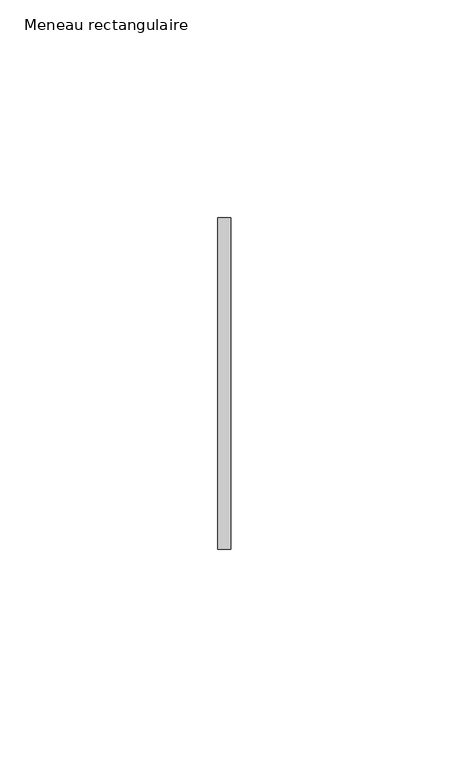
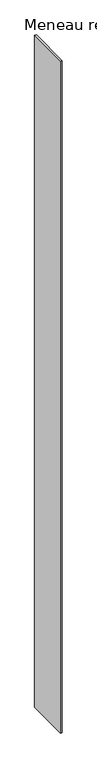
"""IFC4 building model written with IfcOpenShell, lengths in millimetres: member geometry, Meneau rectangulaire."""

from ifc_helpers import new_model, si_unit, frame, origin, place, context, project, spatial, polyline, outline, extrude, source, transform, mapped, element, save


def meneau_rectangulaire_93d6e437(model_context):
    return source(origin(), model_context, "Body", "SweptSolid", [
        extrude(outline(polyline([(-1.5, 38.0), (1.5, 38.0), (1.5, -38.0), (-1.5, -38.0), (-1.5, 38.0)])), frame((0.0, 0.0, -1209.7499998), z_axis=(0.0, 0.0, 1.0), x_axis=(1.0, 0.0, 0.0)), (0.0, 0.0, 1.0), 1209.7499998),
    ])


if __name__ == "__main__":
    model = new_model("IFC4")
    model_context = context("Model", 3, world=origin())
    ifc_project = project(units=[si_unit("LENGTHUNIT", "METRE", prefix="MILLI")], contexts=[model_context])
    site = spatial("IfcSite", under=ifc_project)
    building = spatial("IfcBuilding", under=site)
    placement = place(None, origin())
    meneau_rectangulaire_shape = meneau_rectangulaire_93d6e437(model_context)
    element("IfcMember", 1, ObjectType="Meneau rectangulaire", at=placement, inside=building, context=model_context, shape_type="MappedRepresentation", body=[
        mapped(meneau_rectangulaire_shape, transform((0.0, 0.0, 0.0), x_axis=(1.0, 0.0, 0.0), y_axis=(0.0, 1.0, 0.0), z_axis=(0.0, 0.0, 1.0))),
    ])
    save(model, "model.ifc")
